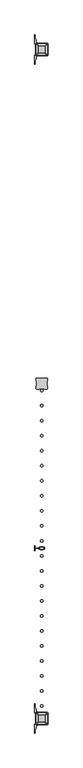
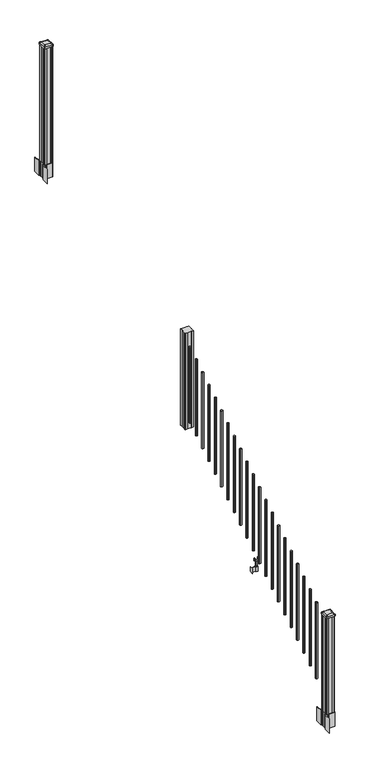
"""IFC4 building model written with IfcOpenShell, lengths in millimetres: railing geometry."""

from ifc_helpers import new_model, si_unit, point, frame, frame_2d, origin, place, context, project, spatial, polyline, circle_curve, trimmed, segment, composite_curve, outline, extrude, source, transform, mapped, element, save
from ifc_brep_helpers import plane_surface, extruded_surface, advanced_brep


def railing_df570949(model_context):
    return source(origin(), model_context, "Body", "SolidModel", [
        extrude(outline(polyline([(8461.3927034, -19900.5544681), (8459.8052034, -19898.9669681), (8459.8052034, -19879.3454681), (8461.3927034, -19878.5834681), (8461.3927034, -19839.9754681), (8459.8052034, -19839.2134681), (8459.8052034, -19819.5919681), (8461.3927034, -19818.0044681), (8481.0142034, -19818.0044681), (8481.7762034, -19819.5919681), (8520.3842034, -19819.5919681), (8521.1462034, -19818.0044681), (8540.7677034, -19818.0044681), (8542.3552034, -19819.5919681), (8542.3552034, -19839.2134681), (8540.7677034, -19839.9754681), (8540.7677034, -19878.5834681), (8542.3552034, -19879.3454681), (8542.3552034, -19898.9669681), (8540.7677034, -19900.5544681), (8521.1462034, -19900.5544681), (8520.3842034, -19898.9669681), (8481.7762034, -19898.9669681), (8481.0142034, -19900.5544681), (8461.3927034, -19900.5544681)])), frame((0.0, 0.0, 1716.0875), z_axis=(0.0, 0.0, 1.0), x_axis=(1.0, 0.0, 0.0)), (0.0, 0.0, 1.0), 1031.364263),
        extrude(outline(composite_curve([segment(trimmed(circle_curve(frame_2d((8501.0802034, -19911.6034681)), 9.525), [point((8510.6052034, -19911.6034681))], [point((8501.0802034, -19921.1284681))], False, "CARTESIAN"), True, "CONTINUOUS"), segment(trimmed(circle_curve(frame_2d((8501.0802034, -19911.6034681)), 9.525), [point((8501.0802034, -19921.1284681))], [point((8491.5552034, -19911.6034681))], False, "CARTESIAN"), True, "CONTINUOUS"), segment(trimmed(circle_curve(frame_2d((8501.0802034, -19911.6034681)), 9.525), [point((8491.5552034, -19911.6034681))], [point((8501.0802034, -19902.0784681))], False, "CARTESIAN"), True, "CONTINUOUS"), segment(trimmed(circle_curve(frame_2d((8501.0802034, -19911.6034681)), 9.525), [point((8501.0802034, -19902.0784681))], [point((8510.6052034, -19911.6034681))], False, "CARTESIAN"), True, "CONTINUOUS")], self_intersect=False)), frame((0.0, 0.0, 1784.9808781), z_axis=(0.0, 0.0, 1.0), x_axis=(1.0, 0.0, 0.0)), (0.0, 0.0, 1.0), 812.8041219),
        extrude(outline(composite_curve([segment(trimmed(circle_curve(frame_2d((8501.0802034, -20022.8554681)), 9.525), [point((8510.6052034, -20022.8554681))], [point((8501.0802034, -20032.3804681))], False, "CARTESIAN"), True, "CONTINUOUS"), segment(trimmed(circle_curve(frame_2d((8501.0802034, -20022.8554681)), 9.525), [point((8501.0802034, -20032.3804681))], [point((8491.5552034, -20022.8554681))], False, "CARTESIAN"), True, "CONTINUOUS"), segment(trimmed(circle_curve(frame_2d((8501.0802034, -20022.8554681)), 9.525), [point((8491.5552034, -20022.8554681))], [point((8501.0802034, -20013.3304681))], False, "CARTESIAN"), True, "CONTINUOUS"), segment(trimmed(circle_curve(frame_2d((8501.0802034, -20022.8554681)), 9.525), [point((8501.0802034, -20013.3304681))], [point((8510.6052034, -20022.8554681))], False, "CARTESIAN"), True, "CONTINUOUS")], self_intersect=False)), frame((0.0, 0.0, 1715.4483781), z_axis=(0.0, 0.0, 1.0), x_axis=(1.0, 0.0, 0.0)), (0.0, 0.0, 1.0), 812.8041219),
        extrude(outline(composite_curve([segment(trimmed(circle_curve(frame_2d((8501.0802034, -20134.1074681)), 9.525), [point((8510.6052034, -20134.1074681))], [point((8501.0802034, -20143.6324681))], False, "CARTESIAN"), True, "CONTINUOUS"), segment(trimmed(circle_curve(frame_2d((8501.0802034, -20134.1074681)), 9.525), [point((8501.0802034, -20143.6324681))], [point((8491.5552034, -20134.1074681))], False, "CARTESIAN"), True, "CONTINUOUS"), segment(trimmed(circle_curve(frame_2d((8501.0802034, -20134.1074681)), 9.525), [point((8491.5552034, -20134.1074681))], [point((8501.0802034, -20124.5824681))], False, "CARTESIAN"), True, "CONTINUOUS"), segment(trimmed(circle_curve(frame_2d((8501.0802034, -20134.1074681)), 9.525), [point((8501.0802034, -20124.5824681))], [point((8510.6052034, -20134.1074681))], False, "CARTESIAN"), True, "CONTINUOUS")], self_intersect=False)), frame((0.0, 0.0, 1645.9158781), z_axis=(0.0, 0.0, 1.0), x_axis=(1.0, 0.0, 0.0)), (0.0, 0.0, 1.0), 812.8041219),
        extrude(outline(composite_curve([segment(trimmed(circle_curve(frame_2d((8501.0802034, -20245.3594681)), 9.525), [point((8510.6052034, -20245.3594681))], [point((8501.0802034, -20254.8844681))], False, "CARTESIAN"), True, "CONTINUOUS"), segment(trimmed(circle_curve(frame_2d((8501.0802034, -20245.3594681)), 9.525), [point((8501.0802034, -20254.8844681))], [point((8491.5552034, -20245.3594681))], False, "CARTESIAN"), True, "CONTINUOUS"), segment(trimmed(circle_curve(frame_2d((8501.0802034, -20245.3594681)), 9.525), [point((8491.5552034, -20245.3594681))], [point((8501.0802034, -20235.8344681))], False, "CARTESIAN"), True, "CONTINUOUS"), segment(trimmed(circle_curve(frame_2d((8501.0802034, -20245.3594681)), 9.525), [point((8501.0802034, -20235.8344681))], [point((8510.6052034, -20245.3594681))], False, "CARTESIAN"), True, "CONTINUOUS")], self_intersect=False)), frame((0.0, 0.0, 1576.3833781), z_axis=(0.0, 0.0, 1.0), x_axis=(1.0, 0.0, 0.0)), (0.0, 0.0, 1.0), 812.8041219),
        extrude(outline(composite_curve([segment(trimmed(circle_curve(frame_2d((8501.0802034, -20356.6114681)), 9.525), [point((8510.6052034, -20356.6114681))], [point((8501.0802034, -20366.1364681))], False, "CARTESIAN"), True, "CONTINUOUS"), segment(trimmed(circle_curve(frame_2d((8501.0802034, -20356.6114681)), 9.525), [point((8501.0802034, -20366.1364681))], [point((8491.5552034, -20356.6114681))], False, "CARTESIAN"), True, "CONTINUOUS"), segment(trimmed(circle_curve(frame_2d((8501.0802034, -20356.6114681)), 9.525), [point((8491.5552034, -20356.6114681))], [point((8501.0802034, -20347.0864681))], False, "CARTESIAN"), True, "CONTINUOUS"), segment(trimmed(circle_curve(frame_2d((8501.0802034, -20356.6114681)), 9.525), [point((8501.0802034, -20347.0864681))], [point((8510.6052034, -20356.6114681))], False, "CARTESIAN"), True, "CONTINUOUS")], self_intersect=False)), frame((0.0, 0.0, 1506.8508781), z_axis=(0.0, 0.0, 1.0), x_axis=(1.0, 0.0, 0.0)), (0.0, 0.0, 1.0), 812.8041219),
        extrude(outline(composite_curve([segment(trimmed(circle_curve(frame_2d((8501.0802034, -20467.8634681)), 9.525), [point((8510.6052034, -20467.8634681))], [point((8501.0802034, -20477.3884681))], False, "CARTESIAN"), True, "CONTINUOUS"), segment(trimmed(circle_curve(frame_2d((8501.0802034, -20467.8634681)), 9.525), [point((8501.0802034, -20477.3884681))], [point((8491.5552034, -20467.8634681))], False, "CARTESIAN"), True, "CONTINUOUS"), segment(trimmed(circle_curve(frame_2d((8501.0802034, -20467.8634681)), 9.525), [point((8491.5552034, -20467.8634681))], [point((8501.0802034, -20458.3384681))], False, "CARTESIAN"), True, "CONTINUOUS"), segment(trimmed(circle_curve(frame_2d((8501.0802034, -20467.8634681)), 9.525), [point((8501.0802034, -20458.3384681))], [point((8510.6052034, -20467.8634681))], False, "CARTESIAN"), True, "CONTINUOUS")], self_intersect=False)), frame((0.0, 0.0, 1437.3183781), z_axis=(0.0, 0.0, 1.0), x_axis=(1.0, 0.0, 0.0)), (0.0, 0.0, 1.0), 812.8041219),
        extrude(outline(composite_curve([segment(trimmed(circle_curve(frame_2d((8501.0802034, -20579.1154681)), 9.525), [point((8510.6052034, -20579.1154681))], [point((8501.0802034, -20588.6404681))], False, "CARTESIAN"), True, "CONTINUOUS"), segment(trimmed(circle_curve(frame_2d((8501.0802034, -20579.1154681)), 9.525), [point((8501.0802034, -20588.6404681))], [point((8491.5552034, -20579.1154681))], False, "CARTESIAN"), True, "CONTINUOUS"), segment(trimmed(circle_curve(frame_2d((8501.0802034, -20579.1154681)), 9.525), [point((8491.5552034, -20579.1154681))], [point((8501.0802034, -20569.5904681))], False, "CARTESIAN"), True, "CONTINUOUS"), segment(trimmed(circle_curve(frame_2d((8501.0802034, -20579.1154681)), 9.525), [point((8501.0802034, -20569.5904681))], [point((8510.6052034, -20579.1154681))], False, "CARTESIAN"), True, "CONTINUOUS")], self_intersect=False)), frame((0.0, 0.0, 1367.7858781), z_axis=(0.0, 0.0, 1.0), x_axis=(1.0, 0.0, 0.0)), (0.0, 0.0, 1.0), 812.8041219),
        extrude(outline(composite_curve([segment(trimmed(circle_curve(frame_2d((8501.0802034, -20690.3674681)), 9.525), [point((8510.6052034, -20690.3674681))], [point((8501.0802034, -20699.8924681))], False, "CARTESIAN"), True, "CONTINUOUS"), segment(trimmed(circle_curve(frame_2d((8501.0802034, -20690.3674681)), 9.525), [point((8501.0802034, -20699.8924681))], [point((8491.5552034, -20690.3674681))], False, "CARTESIAN"), True, "CONTINUOUS"), segment(trimmed(circle_curve(frame_2d((8501.0802034, -20690.3674681)), 9.525), [point((8491.5552034, -20690.3674681))], [point((8501.0802034, -20680.8424681))], False, "CARTESIAN"), True, "CONTINUOUS"), segment(trimmed(circle_curve(frame_2d((8501.0802034, -20690.3674681)), 9.525), [point((8501.0802034, -20680.8424681))], [point((8510.6052034, -20690.3674681))], False, "CARTESIAN"), True, "CONTINUOUS")], self_intersect=False)), frame((0.0, 0.0, 1298.2533781), z_axis=(0.0, 0.0, 1.0), x_axis=(1.0, 0.0, 0.0)), (0.0, 0.0, 1.0), 812.8041219),
        extrude(outline(composite_curve([segment(trimmed(circle_curve(frame_2d((8501.0802034, -20801.6194681)), 9.525), [point((8510.6052034, -20801.6194681))], [point((8501.0802034, -20811.1444681))], False, "CARTESIAN"), True, "CONTINUOUS"), segment(trimmed(circle_curve(frame_2d((8501.0802034, -20801.6194681)), 9.525), [point((8501.0802034, -20811.1444681))], [point((8491.5552034, -20801.6194681))], False, "CARTESIAN"), True, "CONTINUOUS"), segment(trimmed(circle_curve(frame_2d((8501.0802034, -20801.6194681)), 9.525), [point((8491.5552034, -20801.6194681))], [point((8501.0802034, -20792.0944681))], False, "CARTESIAN"), True, "CONTINUOUS"), segment(trimmed(circle_curve(frame_2d((8501.0802034, -20801.6194681)), 9.525), [point((8501.0802034, -20792.0944681))], [point((8510.6052034, -20801.6194681))], False, "CARTESIAN"), True, "CONTINUOUS")], self_intersect=False)), frame((0.0, 0.0, 1228.7208781), z_axis=(0.0, 0.0, 1.0), x_axis=(1.0, 0.0, 0.0)), (0.0, 0.0, 1.0), 812.8041219),
        extrude(outline(composite_curve([segment(trimmed(circle_curve(frame_2d((8501.0802034, -20912.8714681)), 9.525), [point((8510.6052034, -20912.8714681))], [point((8501.0802034, -20922.3964681))], False, "CARTESIAN"), True, "CONTINUOUS"), segment(trimmed(circle_curve(frame_2d((8501.0802034, -20912.8714681)), 9.525), [point((8501.0802034, -20922.3964681))], [point((8491.5552034, -20912.8714681))], False, "CARTESIAN"), True, "CONTINUOUS"), segment(trimmed(circle_curve(frame_2d((8501.0802034, -20912.8714681)), 9.525), [point((8491.5552034, -20912.8714681))], [point((8501.0802034, -20903.3464681))], False, "CARTESIAN"), True, "CONTINUOUS"), segment(trimmed(circle_curve(frame_2d((8501.0802034, -20912.8714681)), 9.525), [point((8501.0802034, -20903.3464681))], [point((8510.6052034, -20912.8714681))], False, "CARTESIAN"), True, "CONTINUOUS")], self_intersect=False)), frame((0.0, 0.0, 1159.1883781), z_axis=(0.0, 0.0, 1.0), x_axis=(1.0, 0.0, 0.0)), (0.0, 0.0, 1.0), 812.8041219),
        extrude(outline(composite_curve([segment(trimmed(circle_curve(frame_2d((8501.0802034, -21024.1234681)), 9.525), [point((8510.6052034, -21024.1234681))], [point((8501.0802034, -21033.6484681))], False, "CARTESIAN"), True, "CONTINUOUS"), segment(trimmed(circle_curve(frame_2d((8501.0802034, -21024.1234681)), 9.525), [point((8501.0802034, -21033.6484681))], [point((8491.5552034, -21024.1234681))], False, "CARTESIAN"), True, "CONTINUOUS"), segment(trimmed(circle_curve(frame_2d((8501.0802034, -21024.1234681)), 9.525), [point((8491.5552034, -21024.1234681))], [point((8501.0802034, -21014.5984681))], False, "CARTESIAN"), True, "CONTINUOUS"), segment(trimmed(circle_curve(frame_2d((8501.0802034, -21024.1234681)), 9.525), [point((8501.0802034, -21014.5984681))], [point((8510.6052034, -21024.1234681))], False, "CARTESIAN"), True, "CONTINUOUS")], self_intersect=False)), frame((0.0, 0.0, 1089.6558781), z_axis=(0.0, 0.0, 1.0), x_axis=(1.0, 0.0, 0.0)), (0.0, 0.0, 1.0), 812.8041219),
        extrude(outline(polyline([(8490.4122036, -21081.0194681), (8451.0422034, -21081.0194681), (8451.0422034, -21078.4794681), (8490.4122036, -21078.4794681), (8490.4122036, -21081.0194681)])), frame((0.0, 0.0, 902.49375), z_axis=(0.0, 0.0, 1.0), x_axis=(1.0, 0.0, 0.0)), (0.0, 0.0, 1.0), 50.8),
        extrude(outline(polyline([(8451.0422034, -21098.7994681), (8448.5022034, -21098.7994681), (8448.5022034, -21060.6994681), (8451.0422034, -21060.6994681), (8451.0422034, -21098.7994681)])), frame((0.0, 0.0, 902.49375), z_axis=(0.0, 0.0, 1.0), x_axis=(1.0, 0.0, 0.0)), (0.0, 0.0, 1.0), 50.8),
        extrude(outline(polyline([(8511.7482041, -21089.6554681), (8490.4122036, -21089.6554681), (8490.4122036, -21069.8434681), (8511.7482041, -21069.8434681), (8511.7482041, -21089.6554681)]), holes=[polyline([(8508.446204, -21087.1154681), (8508.446204, -21072.3834681), (8493.7142037, -21072.3834681), (8493.7142037, -21087.1154681), (8508.446204, -21087.1154681)])]), frame((0.0, 0.0, 902.49375), z_axis=(0.0, 0.0, 1.0), x_axis=(1.0, 0.0, 0.0)), (0.0, 0.0, 1.0), 50.8),
        extrude(outline(polyline([(1042.0141479, 8482.9192046), (1041.2521469, 8482.1572035), (1014.7617523, 8482.1572035), (1013.9997513, 8482.9192046), (1013.9997513, 8492.9522036), (1013.2377512, 8493.7142037), (949.7377512, 8493.7142037), (949.7377512, 8508.446204), (1013.2377512, 8508.446204), (1013.9997513, 8509.2082041), (1013.9997513, 8519.2412032), (1014.7617523, 8520.0032042), (1041.2521469, 8520.0032042), (1042.0141479, 8519.2412032), (1042.0141479, 8517.2092036), (1040.9981453, 8516.1932038), (1030.5623581, 8516.1932038), (1029.5463573, 8517.2092036), (1017.555751, 8517.2092036), (1016.7937519, 8516.4472044), (1016.7937519, 8485.7132033), (1017.555751, 8484.9512041), (1029.5463573, 8484.9512041), (1030.5623581, 8485.9672039), (1040.9981453, 8485.9672039), (1042.0141479, 8484.9512041), (1042.0141479, 8482.9192046)]), holes=[polyline([(1013.9997513, 8504.5092038), (1013.2377512, 8505.2712038), (957.2307531, 8505.2712038), (956.4687531, 8504.5092038), (956.4687531, 8497.6512011), (957.2307503, 8496.8892039), (1013.2377512, 8496.8892039), (1013.9997513, 8497.651204), (1013.9997513, 8504.5092038)])]), frame((0.0, -21087.1154681, 0.0), z_axis=(0.0, 1.0, 0.0), x_axis=(0.0, 0.0, 1.0)), (0.0, 0.0, 1.0), 14.732),
        extrude(outline(composite_curve([segment(trimmed(circle_curve(frame_2d((8501.0802034, -21135.3754681)), 9.525), [point((8510.6052034, -21135.3754681))], [point((8501.0802034, -21144.9004681))], False, "CARTESIAN"), True, "CONTINUOUS"), segment(trimmed(circle_curve(frame_2d((8501.0802034, -21135.3754681)), 9.525), [point((8501.0802034, -21144.9004681))], [point((8491.5552034, -21135.3754681))], False, "CARTESIAN"), True, "CONTINUOUS"), segment(trimmed(circle_curve(frame_2d((8501.0802034, -21135.3754681)), 9.525), [point((8491.5552034, -21135.3754681))], [point((8501.0802034, -21125.8504681))], False, "CARTESIAN"), True, "CONTINUOUS"), segment(trimmed(circle_curve(frame_2d((8501.0802034, -21135.3754681)), 9.525), [point((8501.0802034, -21125.8504681))], [point((8510.6052034, -21135.3754681))], False, "CARTESIAN"), True, "CONTINUOUS")], self_intersect=False)), frame((0.0, 0.0, 1020.1233781), z_axis=(0.0, 0.0, 1.0), x_axis=(1.0, 0.0, 0.0)), (0.0, 0.0, 1.0), 812.8041219),
        extrude(outline(composite_curve([segment(trimmed(circle_curve(frame_2d((8501.0802034, -21246.6274681)), 9.525), [point((8510.6052034, -21246.6274681))], [point((8501.0802034, -21256.1524681))], False, "CARTESIAN"), True, "CONTINUOUS"), segment(trimmed(circle_curve(frame_2d((8501.0802034, -21246.6274681)), 9.525), [point((8501.0802034, -21256.1524681))], [point((8491.5552034, -21246.6274681))], False, "CARTESIAN"), True, "CONTINUOUS"), segment(trimmed(circle_curve(frame_2d((8501.0802034, -21246.6274681)), 9.525), [point((8491.5552034, -21246.6274681))], [point((8501.0802034, -21237.1024681))], False, "CARTESIAN"), True, "CONTINUOUS"), segment(trimmed(circle_curve(frame_2d((8501.0802034, -21246.6274681)), 9.525), [point((8501.0802034, -21237.1024681))], [point((8510.6052034, -21246.6274681))], False, "CARTESIAN"), True, "CONTINUOUS")], self_intersect=False)), frame((0.0, 0.0, 950.5908781), z_axis=(0.0, 0.0, 1.0), x_axis=(1.0, 0.0, 0.0)), (0.0, 0.0, 1.0), 812.8041219),
        extrude(outline(composite_curve([segment(trimmed(circle_curve(frame_2d((8501.0802034, -21357.8794681)), 9.525), [point((8510.6052034, -21357.8794681))], [point((8501.0802034, -21367.4044681))], False, "CARTESIAN"), True, "CONTINUOUS"), segment(trimmed(circle_curve(frame_2d((8501.0802034, -21357.8794681)), 9.525), [point((8501.0802034, -21367.4044681))], [point((8491.5552034, -21357.8794681))], False, "CARTESIAN"), True, "CONTINUOUS"), segment(trimmed(circle_curve(frame_2d((8501.0802034, -21357.8794681)), 9.525), [point((8491.5552034, -21357.8794681))], [point((8501.0802034, -21348.3544681))], False, "CARTESIAN"), True, "CONTINUOUS"), segment(trimmed(circle_curve(frame_2d((8501.0802034, -21357.8794681)), 9.525), [point((8501.0802034, -21348.3544681))], [point((8510.6052034, -21357.8794681))], False, "CARTESIAN"), True, "CONTINUOUS")], self_intersect=False)), frame((0.0, 0.0, 881.0583781), z_axis=(0.0, 0.0, 1.0), x_axis=(1.0, 0.0, 0.0)), (0.0, 0.0, 1.0), 812.8041219),
        extrude(outline(composite_curve([segment(trimmed(circle_curve(frame_2d((8501.0802034, -21469.1314681)), 9.525), [point((8510.6052034, -21469.1314681))], [point((8501.0802034, -21478.6564681))], False, "CARTESIAN"), True, "CONTINUOUS"), segment(trimmed(circle_curve(frame_2d((8501.0802034, -21469.1314681)), 9.525), [point((8501.0802034, -21478.6564681))], [point((8491.5552034, -21469.1314681))], False, "CARTESIAN"), True, "CONTINUOUS"), segment(trimmed(circle_curve(frame_2d((8501.0802034, -21469.1314681)), 9.525), [point((8491.5552034, -21469.1314681))], [point((8501.0802034, -21459.6064681))], False, "CARTESIAN"), True, "CONTINUOUS"), segment(trimmed(circle_curve(frame_2d((8501.0802034, -21469.1314681)), 9.525), [point((8501.0802034, -21459.6064681))], [point((8510.6052034, -21469.1314681))], False, "CARTESIAN"), True, "CONTINUOUS")], self_intersect=False)), frame((0.0, 0.0, 811.5258781), z_axis=(0.0, 0.0, 1.0), x_axis=(1.0, 0.0, 0.0)), (0.0, 0.0, 1.0), 812.8041219),
        extrude(outline(composite_curve([segment(trimmed(circle_curve(frame_2d((8501.0802034, -21580.3834681)), 9.525), [point((8510.6052034, -21580.3834681))], [point((8501.0802034, -21589.9084681))], False, "CARTESIAN"), True, "CONTINUOUS"), segment(trimmed(circle_curve(frame_2d((8501.0802034, -21580.3834681)), 9.525), [point((8501.0802034, -21589.9084681))], [point((8491.5552034, -21580.3834681))], False, "CARTESIAN"), True, "CONTINUOUS"), segment(trimmed(circle_curve(frame_2d((8501.0802034, -21580.3834681)), 9.525), [point((8491.5552034, -21580.3834681))], [point((8501.0802034, -21570.8584681))], False, "CARTESIAN"), True, "CONTINUOUS"), segment(trimmed(circle_curve(frame_2d((8501.0802034, -21580.3834681)), 9.525), [point((8501.0802034, -21570.8584681))], [point((8510.6052034, -21580.3834681))], False, "CARTESIAN"), True, "CONTINUOUS")], self_intersect=False)), frame((0.0, 0.0, 741.9933781), z_axis=(0.0, 0.0, 1.0), x_axis=(1.0, 0.0, 0.0)), (0.0, 0.0, 1.0), 812.8041219),
        extrude(outline(composite_curve([segment(trimmed(circle_curve(frame_2d((8501.0802034, -21691.6354681)), 9.525), [point((8510.6052034, -21691.6354681))], [point((8501.0802034, -21701.1604681))], False, "CARTESIAN"), True, "CONTINUOUS"), segment(trimmed(circle_curve(frame_2d((8501.0802034, -21691.6354681)), 9.525), [point((8501.0802034, -21701.1604681))], [point((8491.5552034, -21691.6354681))], False, "CARTESIAN"), True, "CONTINUOUS"), segment(trimmed(circle_curve(frame_2d((8501.0802034, -21691.6354681)), 9.525), [point((8491.5552034, -21691.6354681))], [point((8501.0802034, -21682.1104681))], False, "CARTESIAN"), True, "CONTINUOUS"), segment(trimmed(circle_curve(frame_2d((8501.0802034, -21691.6354681)), 9.525), [point((8501.0802034, -21682.1104681))], [point((8510.6052034, -21691.6354681))], False, "CARTESIAN"), True, "CONTINUOUS")], self_intersect=False)), frame((0.0, 0.0, 672.4608781), z_axis=(0.0, 0.0, 1.0), x_axis=(1.0, 0.0, 0.0)), (0.0, 0.0, 1.0), 812.8041219),
        extrude(outline(composite_curve([segment(trimmed(circle_curve(frame_2d((8501.0802034, -21802.8874681)), 9.525), [point((8510.6052034, -21802.8874681))], [point((8501.0802034, -21812.4124681))], False, "CARTESIAN"), True, "CONTINUOUS"), segment(trimmed(circle_curve(frame_2d((8501.0802034, -21802.8874681)), 9.525), [point((8501.0802034, -21812.4124681))], [point((8491.5552034, -21802.8874681))], False, "CARTESIAN"), True, "CONTINUOUS"), segment(trimmed(circle_curve(frame_2d((8501.0802034, -21802.8874681)), 9.525), [point((8491.5552034, -21802.8874681))], [point((8501.0802034, -21793.3624681))], False, "CARTESIAN"), True, "CONTINUOUS"), segment(trimmed(circle_curve(frame_2d((8501.0802034, -21802.8874681)), 9.525), [point((8501.0802034, -21793.3624681))], [point((8510.6052034, -21802.8874681))], False, "CARTESIAN"), True, "CONTINUOUS")], self_intersect=False)), frame((0.0, 0.0, 602.9283781), z_axis=(0.0, 0.0, 1.0), x_axis=(1.0, 0.0, 0.0)), (0.0, 0.0, 1.0), 812.8041219),
        extrude(outline(composite_curve([segment(trimmed(circle_curve(frame_2d((8501.0802034, -21914.1394681)), 9.525), [point((8510.6052034, -21914.1394681))], [point((8501.0802034, -21923.6644681))], False, "CARTESIAN"), True, "CONTINUOUS"), segment(trimmed(circle_curve(frame_2d((8501.0802034, -21914.1394681)), 9.525), [point((8501.0802034, -21923.6644681))], [point((8491.5552034, -21914.1394681))], False, "CARTESIAN"), True, "CONTINUOUS"), segment(trimmed(circle_curve(frame_2d((8501.0802034, -21914.1394681)), 9.525), [point((8491.5552034, -21914.1394681))], [point((8501.0802034, -21904.6144681))], False, "CARTESIAN"), True, "CONTINUOUS"), segment(trimmed(circle_curve(frame_2d((8501.0802034, -21914.1394681)), 9.525), [point((8501.0802034, -21904.6144681))], [point((8510.6052034, -21914.1394681))], False, "CARTESIAN"), True, "CONTINUOUS")], self_intersect=False)), frame((0.0, 0.0, 533.3958781), z_axis=(0.0, 0.0, 1.0), x_axis=(1.0, 0.0, 0.0)), (0.0, 0.0, 1.0), 812.8041219),
        extrude(outline(composite_curve([segment(trimmed(circle_curve(frame_2d((8501.0802034, -22025.3914681)), 9.525), [point((8510.6052034, -22025.3914681))], [point((8501.0802034, -22034.9164681))], False, "CARTESIAN"), True, "CONTINUOUS"), segment(trimmed(circle_curve(frame_2d((8501.0802034, -22025.3914681)), 9.525), [point((8501.0802034, -22034.9164681))], [point((8491.5552034, -22025.3914681))], False, "CARTESIAN"), True, "CONTINUOUS"), segment(trimmed(circle_curve(frame_2d((8501.0802034, -22025.3914681)), 9.525), [point((8491.5552034, -22025.3914681))], [point((8501.0802034, -22015.8664681))], False, "CARTESIAN"), True, "CONTINUOUS"), segment(trimmed(circle_curve(frame_2d((8501.0802034, -22025.3914681)), 9.525), [point((8501.0802034, -22015.8664681))], [point((8510.6052034, -22025.3914681))], False, "CARTESIAN"), True, "CONTINUOUS")], self_intersect=False)), frame((0.0, 0.0, 463.8633781), z_axis=(0.0, 0.0, 1.0), x_axis=(1.0, 0.0, 0.0)), (0.0, 0.0, 1.0), 812.8041219),
        extrude(outline(composite_curve([segment(trimmed(circle_curve(frame_2d((8501.0802034, -22136.6434681)), 9.525), [point((8510.6052034, -22136.6434681))], [point((8501.0802034, -22146.1684681))], False, "CARTESIAN"), True, "CONTINUOUS"), segment(trimmed(circle_curve(frame_2d((8501.0802034, -22136.6434681)), 9.525), [point((8501.0802034, -22146.1684681))], [point((8491.5552034, -22136.6434681))], False, "CARTESIAN"), True, "CONTINUOUS"), segment(trimmed(circle_curve(frame_2d((8501.0802034, -22136.6434681)), 9.525), [point((8491.5552034, -22136.6434681))], [point((8501.0802034, -22127.1184681))], False, "CARTESIAN"), True, "CONTINUOUS"), segment(trimmed(circle_curve(frame_2d((8501.0802034, -22136.6434681)), 9.525), [point((8501.0802034, -22127.1184681))], [point((8510.6052034, -22136.6434681))], False, "CARTESIAN"), True, "CONTINUOUS")], self_intersect=False)), frame((0.0, 0.0, 394.3308781), z_axis=(0.0, 0.0, 1.0), x_axis=(1.0, 0.0, 0.0)), (0.0, 0.0, 1.0), 812.8041219),
        extrude(outline(composite_curve([segment(trimmed(circle_curve(frame_2d((8501.0802034, -22247.8954681)), 9.525), [point((8510.6052034, -22247.8954681))], [point((8501.0802034, -22257.4204681))], False, "CARTESIAN"), True, "CONTINUOUS"), segment(trimmed(circle_curve(frame_2d((8501.0802034, -22247.8954681)), 9.525), [point((8501.0802034, -22257.4204681))], [point((8491.5552034, -22247.8954681))], False, "CARTESIAN"), True, "CONTINUOUS"), segment(trimmed(circle_curve(frame_2d((8501.0802034, -22247.8954681)), 9.525), [point((8491.5552034, -22247.8954681))], [point((8501.0802034, -22238.3704681))], False, "CARTESIAN"), True, "CONTINUOUS"), segment(trimmed(circle_curve(frame_2d((8501.0802034, -22247.8954681)), 9.525), [point((8501.0802034, -22238.3704681))], [point((8510.6052034, -22247.8954681))], False, "CARTESIAN"), True, "CONTINUOUS")], self_intersect=False)), frame((0.0, 0.0, 324.7983781), z_axis=(0.0, 0.0, 1.0), x_axis=(1.0, 0.0, 0.0)), (0.0, 0.0, 1.0), 812.8041219),
        extrude(outline(polyline([(8461.3927034, -17423.2924681), (8459.8052034, -17421.7049681), (8459.8052034, -17402.0834681), (8461.3927034, -17401.3214681), (8461.3927034, -17362.7134681), (8459.8052034, -17361.9514681), (8459.8052034, -17342.3299681), (8461.3927034, -17340.7424681), (8481.0142034, -17340.7424681), (8481.7762034, -17342.3299681), (8520.3842034, -17342.3299681), (8521.1462034, -17340.7424681), (8540.7677034, -17340.7424681), (8542.3552034, -17342.3299681), (8542.3552034, -17361.9514681), (8540.7677034, -17362.7134681), (8540.7677034, -17401.3214681), (8542.3552034, -17402.0834681), (8542.3552034, -17421.7049681), (8540.7677034, -17423.2924681), (8521.1462034, -17423.2924681), (8520.3842034, -17421.7049681), (8481.7762034, -17421.7049681), (8481.0142034, -17423.2924681), (8461.3927034, -17423.2924681)])), frame((0.0, 0.0, 3048.0), z_axis=(0.0, 0.0, 1.0), x_axis=(1.0, 0.0, 0.0)), (0.0, 0.0, 1.0), 1247.740513),
        extrude(outline(composite_curve([segment(polyline([(8543.8157034, -17399.403563), (8545.4032034, -17400.165563), (8545.4032034, -17422.967491), (8542.0302263, -17426.3404681), (8480.5705555, -17426.3404681), (8480.5705555, -17427.2612181), (8475.2530117, -17427.2612181), (8475.2530117, -17428.7154728), (8470.168482, -17428.7154728), (8470.168482, -17429.9994966), (8468.5012097, -17429.9994966)]), True, "CONTINUOUS"), segment(trimmed(circle_curve(frame_2d((8468.5012097, -17437.0589565)), 7.0594599), [point((8468.5012097, -17429.9994966))], [point((8461.7339468, -17435.0489498))], True, "CARTESIAN"), True, "CONTINUOUS"), segment(polyline([(8461.7339468, -17435.0489498), (8453.8597526, -17461.5596789)]), True, "CONTINUOUS"), segment(trimmed(circle_curve(frame_2d((8508.6442659, -17477.8317285)), 57.15), [point((8453.8597526, -17461.5596789))], [point((8451.4942659, -17477.8317285))], True, "CARTESIAN"), True, "CONTINUOUS"), segment(polyline([(8451.4942659, -17477.8317285), (8451.4942659, -17489.8404681), (8448.4942659, -17489.8404681), (8448.4942659, -17424.7529681), (8456.7572034, -17413.4146768), (8456.7572034, -17400.165563), (8458.3447034, -17399.403563), (8458.3447034, -17364.6313732), (8456.7572034, -17363.8693732), (8456.7572034, -17350.6202594), (8448.4942659, -17339.2819681), (8448.4942659, -17274.1944681), (8451.4942659, -17274.1944681), (8451.4942659, -17286.2032076)]), True, "CONTINUOUS"), segment(trimmed(circle_curve(frame_2d((8508.6442659, -17286.2032076)), 57.15), [point((8451.4942659, -17286.2032076))], [point((8453.8597526, -17302.4752573))], True, "CARTESIAN"), True, "CONTINUOUS"), segment(polyline([(8453.8597526, -17302.4752573), (8461.7339468, -17328.9859864)]), True, "CONTINUOUS"), segment(trimmed(circle_curve(frame_2d((8468.5012097, -17326.9759797)), 7.0594599), [point((8461.7339468, -17328.9859864))], [point((8468.5012097, -17334.0354396))], True, "CARTESIAN"), True, "CONTINUOUS"), segment(polyline([(8468.5012097, -17334.0354396), (8470.168482, -17334.0354396), (8470.168482, -17335.3194634), (8475.2530117, -17335.3194634), (8475.2530117, -17336.7737181), (8480.5705555, -17336.7737181), (8480.5705555, -17337.6944681), (8542.0302263, -17337.6944681), (8545.4032034, -17341.0674452), (8545.4032034, -17363.8693732), (8543.8157034, -17364.6313732), (8543.8157034, -17399.403563)]), True, "CONTINUOUS")], self_intersect=False), holes=[polyline([(8459.8052034, -17342.3299681), (8459.8052034, -17421.7049681), (8461.3927034, -17423.2924681), (8498.316986, -17423.2924681), (8540.7677034, -17423.2924681), (8542.3552034, -17421.7049681), (8542.3552034, -17342.3299681), (8540.7677034, -17340.7424681), (8498.316986, -17340.7424681), (8461.3927034, -17340.7424681), (8459.8052034, -17342.3299681)])]), frame((0.0, 0.0, 2895.6), z_axis=(0.0, 0.0, 1.0), x_axis=(1.0, 0.0, 0.0)), (0.0, 0.0, 1.0), 152.4),
        advanced_brep(
        [(8475.2833284, -17410.9893431, 4324.315513), (8526.8770784, -17410.9893431, 4324.315513), (8530.0520784, -17407.8143431, 4324.315513), (8530.0520784, -17356.2205931, 4324.315513), (8526.8770784, -17353.0455931, 4324.315513), (8475.2833284, -17353.0455931, 4324.315513), (8472.1083284, -17356.2205931, 4324.315513), (8472.1083284, -17407.8143431, 4324.315513), (8459.0114534, -17427.2612181, 4313.012513), (8455.8364534, -17424.0862181, 4313.012513), (8455.8364534, -17339.9487181, 4313.012513), (8459.0114534, -17336.7737181, 4313.012513), (8543.1489534, -17336.7737181, 4313.012513), (8546.3239534, -17339.9487181, 4313.012513), (8546.3239534, -17424.0862181, 4313.012513), (8543.1489534, -17427.2612181, 4313.012513)],
        [
            (0, 1),
            (1, 2, circle_curve(frame((8526.8770784, -17407.8143431, 4324.315513), z_axis=(0.0, 0.0, 1.0), x_axis=(0.0, 1.0, 0.0)), 3.175)),
            (2, 3),
            (3, 4, circle_curve(frame((8526.8770784, -17356.2205931, 4324.315513), z_axis=(0.0, 0.0, 1.0), x_axis=(0.0, 1.0, 0.0)), 3.175)),
            (4, 5),
            (5, 6, circle_curve(frame((8475.2833284, -17356.2205931, 4324.315513), z_axis=(0.0, 0.0, 1.0), x_axis=(0.0, 1.0, 0.0)), 3.175)),
            (6, 7),
            (7, 0, circle_curve(frame((8475.2833284, -17407.8143431, 4324.315513), z_axis=(0.0, 0.0, 1.0), x_axis=(0.0, 1.0, 0.0)), 3.175)),
            (8, 9, circle_curve(frame((8459.0114534, -17424.0862181, 4313.012513), z_axis=(0.0, 0.0, -1.0), x_axis=(0.0, 1.0, 0.0)), 3.175)),
            (9, 10),
            (10, 11, circle_curve(frame((8459.0114534, -17339.9487181, 4313.012513), z_axis=(0.0, 0.0, -1.0), x_axis=(0.0, 1.0, 0.0)), 3.175)),
            (11, 12),
            (12, 13, circle_curve(frame((8543.1489534, -17339.9487181, 4313.012513), z_axis=(0.0, 0.0, -1.0), x_axis=(0.0, 1.0, 0.0)), 3.175)),
            (13, 14),
            (14, 15, circle_curve(frame((8543.1489534, -17424.0862181, 4313.012513), z_axis=(0.0, 0.0, -1.0), x_axis=(0.0, 1.0, 0.0)), 3.175)),
            (15, 8),
            (8, 0),
            (7, 9),
            (6, 10),
            (5, 11),
            (4, 12),
            (3, 13),
            (2, 14),
            (1, 15),
        ],
        [
            plane_surface(frame((8501.0802034, -17382.0174681, 4324.315513), z_axis=(0.0, 0.0, 1.0), x_axis=(-1.0, 0.0, 0.0))),
            plane_surface(frame((8501.0802034, -17382.0174681, 4313.012513), z_axis=(0.0, 0.0, -1.0), x_axis=(-1.0, 0.0, 0.0))),
            extruded_surface(trimmed(circle_curve(frame((8475.2833284, -17407.8143431, 4324.315513), z_axis=(0.0, 0.0, -1.0), x_axis=(0.0, 1.0, 0.0)), 3.175), [point((8475.2833284, -17410.9893431, 4324.315513))], [point((8472.1083284, -17407.8143431, 4324.315513))], True, "CARTESIAN"), (-16.271875000000364, -16.271875000002183, -11.302999999999884), 25.637972638867726),
            plane_surface(frame((8455.8364534, -17382.0174681, 4313.012513), z_axis=(-0.5705009161540687, 0.0, 0.8212969649690472), x_axis=(0.0, 1.0, 0.0))),
            extruded_surface(trimmed(circle_curve(frame((8475.2833284, -17356.2205931, 4324.315513), z_axis=(0.0, 0.0, -1.0), x_axis=(0.0, 1.0, 0.0)), 3.175), [point((8472.1083284, -17356.2205931, 4324.315513))], [point((8475.2833284, -17353.0455931, 4324.315513))], True, "CARTESIAN"), (-16.271875000000364, 16.271874999998545, -11.302999999999884), 25.63797263886542),
            plane_surface(frame((8501.0802034, -17336.7737181, 4313.012513), z_axis=(0.0, 0.5705009161540291, 0.8212969649690747), x_axis=(1.0, 0.0, 0.0))),
            extruded_surface(trimmed(circle_curve(frame((8526.8770784, -17356.2205931, 4324.315513), z_axis=(0.0, 0.0, -1.0), x_axis=(0.0, 1.0, 0.0)), 3.175), [point((8526.8770784, -17353.0455931, 4324.315513))], [point((8530.0520784, -17356.2205931, 4324.315513))], True, "CARTESIAN"), (16.271874999998545, 16.271874999998545, -11.302999999999884), 25.637972638864262),
            plane_surface(frame((8546.3239534, -17382.0174681, 4313.012513), z_axis=(0.5705009161540233, 0.0, 0.8212969649690787), x_axis=(0.0, -1.0, 0.0))),
            extruded_surface(trimmed(circle_curve(frame((8526.8770784, -17407.8143431, 4324.315513), z_axis=(0.0, 0.0, -1.0), x_axis=(0.0, 1.0, 0.0)), 3.175), [point((8530.0520784, -17407.8143431, 4324.315513))], [point((8526.8770784, -17410.9893431, 4324.315513))], True, "CARTESIAN"), (16.271874999998545, -16.271875000002183, -11.302999999999884), 25.637972638866575),
            plane_surface(frame((8501.0802034, -17427.2612181, 4313.012513), z_axis=(0.0, -0.570500916154034, 0.8212969649690713), x_axis=(-1.0, 0.0, 0.0))),
        ],
        [
            (0, [[1, 2, 3, 4, 5, 6, 7, 8]]),
            (1, [[9, 10, 11, 12, 13, 14, 15, 16]]),
            (2, [[17, -8, 18, -9]]),
            (3, [[-18, -7, 19, -10]]),
            (4, [[-19, -6, 20, -11]]),
            (5, [[-20, -5, 21, -12]]),
            (6, [[-21, -4, 22, -13]]),
            (7, [[-22, -3, 23, -14]]),
            (8, [[-23, -2, 24, -15]]),
            (9, [[-24, -1, -17, -16]]),
        ],
    ),
        extrude(outline(composite_curve([segment(trimmed(circle_curve(frame_2d((8459.0114534, -17424.0862181)), 3.175), [point((8459.0114534, -17427.2612181))], [point((8455.8364534, -17424.0862181))], False, "CARTESIAN"), True, "CONTINUOUS"), segment(polyline([(8455.8364534, -17424.0862181), (8455.8364534, -17339.9487181)]), True, "CONTINUOUS"), segment(trimmed(circle_curve(frame_2d((8459.0114534, -17339.9487181)), 3.175), [point((8455.8364534, -17339.9487181))], [point((8459.0114534, -17336.7737181))], False, "CARTESIAN"), True, "CONTINUOUS"), segment(polyline([(8459.0114534, -17336.7737181), (8543.1489534, -17336.7737181)]), True, "CONTINUOUS"), segment(trimmed(circle_curve(frame_2d((8543.1489534, -17339.9487181)), 3.175), [point((8543.1489534, -17336.7737181))], [point((8546.3239534, -17339.9487181))], False, "CARTESIAN"), True, "CONTINUOUS"), segment(polyline([(8546.3239534, -17339.9487181), (8546.3239534, -17424.0862181)]), True, "CONTINUOUS"), segment(trimmed(circle_curve(frame_2d((8543.1489534, -17424.0862181)), 3.175), [point((8546.3239534, -17424.0862181))], [point((8543.1489534, -17427.2612181))], False, "CARTESIAN"), True, "CONTINUOUS"), segment(polyline([(8543.1489534, -17427.2612181), (8459.0114534, -17427.2612181)]), True, "CONTINUOUS")], self_intersect=False)), frame((0.0, 0.0, 4295.740513), z_axis=(0.0, 0.0, 1.0), x_axis=(1.0, 0.0, 0.0)), (0.0, 0.0, 1.0), 17.272),
        extrude(outline(composite_curve([segment(polyline([(8543.8157034, -22359.007563), (8545.4032034, -22359.769563), (8545.4032034, -22382.571491), (8542.0302263, -22385.9444681), (8480.5705555, -22385.9444681), (8480.5705555, -22386.8652181), (8475.2530117, -22386.8652181), (8475.2530117, -22388.3194728), (8470.168482, -22388.3194728), (8470.168482, -22389.6034966), (8468.5012097, -22389.6034966)]), True, "CONTINUOUS"), segment(trimmed(circle_curve(frame_2d((8468.5012097, -22396.6629565)), 7.0594599), [point((8468.5012097, -22389.6034966))], [point((8461.7339468, -22394.6529498))], True, "CARTESIAN"), True, "CONTINUOUS"), segment(polyline([(8461.7339468, -22394.6529498), (8453.8597526, -22421.1636789)]), True, "CONTINUOUS"), segment(trimmed(circle_curve(frame_2d((8508.6442659, -22437.4357285)), 57.15), [point((8453.8597526, -22421.1636789))], [point((8451.4942659, -22437.4357285))], True, "CARTESIAN"), True, "CONTINUOUS"), segment(polyline([(8451.4942659, -22437.4357285), (8451.4942659, -22449.4444681), (8448.4942659, -22449.4444681), (8448.4942659, -22384.3569681), (8456.7572034, -22373.0186768), (8456.7572034, -22359.769563), (8458.3447034, -22359.007563), (8458.3447034, -22324.2353732), (8456.7572034, -22323.4733732), (8456.7572034, -22310.2242594), (8448.4942659, -22298.8859681), (8448.4942659, -22233.7984681), (8451.4942659, -22233.7984681), (8451.4942659, -22245.8072076)]), True, "CONTINUOUS"), segment(trimmed(circle_curve(frame_2d((8508.6442659, -22245.8072076)), 57.15), [point((8451.4942659, -22245.8072076))], [point((8453.8597526, -22262.0792573))], True, "CARTESIAN"), True, "CONTINUOUS"), segment(polyline([(8453.8597526, -22262.0792573), (8461.7339468, -22288.5899864)]), True, "CONTINUOUS"), segment(trimmed(circle_curve(frame_2d((8468.5012097, -22286.5799797)), 7.0594599), [point((8461.7339468, -22288.5899864))], [point((8468.5012097, -22293.6394396))], True, "CARTESIAN"), True, "CONTINUOUS"), segment(polyline([(8468.5012097, -22293.6394396), (8470.168482, -22293.6394396), (8470.168482, -22294.9234634), (8475.2530117, -22294.9234634), (8475.2530117, -22296.3777181), (8480.5705555, -22296.3777181), (8480.5705555, -22297.2984681), (8542.0302263, -22297.2984681), (8545.4032034, -22300.6714452), (8545.4032034, -22323.4733732), (8543.8157034, -22324.2353732), (8543.8157034, -22359.007563)]), True, "CONTINUOUS")], self_intersect=False), holes=[polyline([(8459.8052034, -22301.9339681), (8459.8052034, -22381.3089681), (8461.3927034, -22382.8964681), (8498.316986, -22382.8964681), (8540.7677034, -22382.8964681), (8542.3552034, -22381.3089681), (8542.3552034, -22301.9339681), (8540.7677034, -22300.3464681), (8498.316986, -22300.3464681), (8461.3927034, -22300.3464681), (8459.8052034, -22301.9339681)])]), frame((0.0, 0.0, 12.22375), z_axis=(0.0, 0.0, 1.0), x_axis=(1.0, 0.0, 0.0)), (0.0, 0.0, 1.0), 152.4),
        advanced_brep(
        [(8475.2833284, -22370.5933431, 1224.563013), (8526.8770784, -22370.5933431, 1224.563013), (8530.0520784, -22367.4183431, 1224.563013), (8530.0520784, -22315.8245931, 1224.563013), (8526.8770784, -22312.6495931, 1224.563013), (8475.2833284, -22312.6495931, 1224.563013), (8472.1083284, -22315.8245931, 1224.563013), (8472.1083284, -22367.4183431, 1224.563013), (8459.0114534, -22386.8652181, 1213.260013), (8455.8364534, -22383.6902181, 1213.260013), (8455.8364534, -22299.5527181, 1213.260013), (8459.0114534, -22296.3777181, 1213.260013), (8543.1489534, -22296.3777181, 1213.260013), (8546.3239534, -22299.5527181, 1213.260013), (8546.3239534, -22383.6902181, 1213.260013), (8543.1489534, -22386.8652181, 1213.260013)],
        [
            (0, 1),
            (1, 2, circle_curve(frame((8526.8770784, -22367.4183431, 1224.563013), z_axis=(0.0, 0.0, 1.0), x_axis=(0.0, 1.0, 0.0)), 3.175)),
            (2, 3),
            (3, 4, circle_curve(frame((8526.8770784, -22315.8245931, 1224.563013), z_axis=(0.0, 0.0, 1.0), x_axis=(0.0, 1.0, 0.0)), 3.175)),
            (4, 5),
            (5, 6, circle_curve(frame((8475.2833284, -22315.8245931, 1224.563013), z_axis=(0.0, 0.0, 1.0), x_axis=(0.0, 1.0, 0.0)), 3.175)),
            (6, 7),
            (7, 0, circle_curve(frame((8475.2833284, -22367.4183431, 1224.563013), z_axis=(0.0, 0.0, 1.0), x_axis=(0.0, 1.0, 0.0)), 3.175)),
            (8, 9, circle_curve(frame((8459.0114534, -22383.6902181, 1213.260013), z_axis=(0.0, 0.0, -1.0), x_axis=(0.0, 1.0, 0.0)), 3.175)),
            (9, 10),
            (10, 11, circle_curve(frame((8459.0114534, -22299.5527181, 1213.260013), z_axis=(0.0, 0.0, -1.0), x_axis=(0.0, 1.0, 0.0)), 3.175)),
            (11, 12),
            (12, 13, circle_curve(frame((8543.1489534, -22299.5527181, 1213.260013), z_axis=(0.0, 0.0, -1.0), x_axis=(0.0, 1.0, 0.0)), 3.175)),
            (13, 14),
            (14, 15, circle_curve(frame((8543.1489534, -22383.6902181, 1213.260013), z_axis=(0.0, 0.0, -1.0), x_axis=(0.0, 1.0, 0.0)), 3.175)),
            (15, 8),
            (8, 0),
            (7, 9),
            (6, 10),
            (5, 11),
            (4, 12),
            (3, 13),
            (2, 14),
            (1, 15),
        ],
        [
            plane_surface(frame((8501.0802034, -22341.6214681, 1224.563013), z_axis=(0.0, 0.0, 1.0), x_axis=(-1.0, 0.0, 0.0))),
            plane_surface(frame((8501.0802034, -22341.6214681, 1213.260013), z_axis=(0.0, 0.0, -1.0), x_axis=(-1.0, 0.0, 0.0))),
            extruded_surface(trimmed(circle_curve(frame((8475.2833284, -22367.4183431, 1224.563013), z_axis=(0.0, 0.0, -1.0), x_axis=(0.0, 1.0, 0.0)), 3.175), [point((8475.2833284, -22370.5933431, 1224.563013))], [point((8472.1083284, -22367.4183431, 1224.563013))], True, "CARTESIAN"), (-16.271875000000364, -16.271875000002183, -11.302999999999884), 25.637972638867726),
            plane_surface(frame((8455.8364534, -22341.6214681, 1213.260013), z_axis=(-0.5705009161540778, 0.0, 0.8212969649690408), x_axis=(0.0, 1.0, 0.0))),
            extruded_surface(trimmed(circle_curve(frame((8475.2833284, -22315.8245931, 1224.563013), z_axis=(0.0, 0.0, -1.0), x_axis=(0.0, 1.0, 0.0)), 3.175), [point((8472.1083284, -22315.8245931, 1224.563013))], [point((8475.2833284, -22312.6495931, 1224.563013))], True, "CARTESIAN"), (-16.271875000000364, 16.271874999998545, -11.302999999999884), 25.63797263886542),
            plane_surface(frame((8501.0802034, -22296.3777181, 1213.260013), z_axis=(0.0, 0.5705009161540291, 0.8212969649690747), x_axis=(1.0, 0.0, 0.0))),
            extruded_surface(trimmed(circle_curve(frame((8526.8770784, -22315.8245931, 1224.563013), z_axis=(0.0, 0.0, -1.0), x_axis=(0.0, 1.0, 0.0)), 3.175), [point((8526.8770784, -22312.6495931, 1224.563013))], [point((8530.0520784, -22315.8245931, 1224.563013))], True, "CARTESIAN"), (16.271874999998545, 16.271874999998545, -11.302999999999884), 25.637972638864262),
            plane_surface(frame((8546.3239534, -22341.6214681, 1213.260013), z_axis=(0.5705009161540142, 0.0, 0.8212969649690851), x_axis=(0.0, -1.0, 0.0))),
            extruded_surface(trimmed(circle_curve(frame((8526.8770784, -22367.4183431, 1224.563013), z_axis=(0.0, 0.0, -1.0), x_axis=(0.0, 1.0, 0.0)), 3.175), [point((8530.0520784, -22367.4183431, 1224.563013))], [point((8526.8770784, -22370.5933431, 1224.563013))], True, "CARTESIAN"), (16.271874999998545, -16.271875000002183, -11.302999999999884), 25.637972638866575),
            plane_surface(frame((8501.0802034, -22386.8652181, 1213.260013), z_axis=(0.0, -0.570500916154034, 0.8212969649690713), x_axis=(-1.0, 0.0, 0.0))),
        ],
        [
            (0, [[1, 2, 3, 4, 5, 6, 7, 8]]),
            (1, [[9, 10, 11, 12, 13, 14, 15, 16]]),
            (2, [[17, -8, 18, -9]]),
            (3, [[-18, -7, 19, -10]]),
            (4, [[-19, -6, 20, -11]]),
            (5, [[-20, -5, 21, -12]]),
            (6, [[-21, -4, 22, -13]]),
            (7, [[-22, -3, 23, -14]]),
            (8, [[-23, -2, 24, -15]]),
            (9, [[-24, -1, -17, -16]]),
        ],
    ),
        extrude(outline(composite_curve([segment(trimmed(circle_curve(frame_2d((8459.0114534, -22383.6902181)), 3.175), [point((8459.0114534, -22386.8652181))], [point((8455.8364534, -22383.6902181))], False, "CARTESIAN"), True, "CONTINUOUS"), segment(polyline([(8455.8364534, -22383.6902181), (8455.8364534, -22299.5527181)]), True, "CONTINUOUS"), segment(trimmed(circle_curve(frame_2d((8459.0114534, -22299.5527181)), 3.175), [point((8455.8364534, -22299.5527181))], [point((8459.0114534, -22296.3777181))], False, "CARTESIAN"), True, "CONTINUOUS"), segment(polyline([(8459.0114534, -22296.3777181), (8543.1489534, -22296.3777181)]), True, "CONTINUOUS"), segment(trimmed(circle_curve(frame_2d((8543.1489534, -22299.5527181)), 3.175), [point((8543.1489534, -22296.3777181))], [point((8546.3239534, -22299.5527181))], False, "CARTESIAN"), True, "CONTINUOUS"), segment(polyline([(8546.3239534, -22299.5527181), (8546.3239534, -22383.6902181)]), True, "CONTINUOUS"), segment(trimmed(circle_curve(frame_2d((8543.1489534, -22383.6902181)), 3.175), [point((8546.3239534, -22383.6902181))], [point((8543.1489534, -22386.8652181))], False, "CARTESIAN"), True, "CONTINUOUS"), segment(polyline([(8543.1489534, -22386.8652181), (8459.0114534, -22386.8652181)]), True, "CONTINUOUS")], self_intersect=False)), frame((0.0, 0.0, 1195.988013), z_axis=(0.0, 0.0, 1.0), x_axis=(1.0, 0.0, 0.0)), (0.0, 0.0, 1.0), 17.272),
        extrude(outline(polyline([(8461.3927034, -22382.8964681), (8459.8052034, -22381.3089681), (8459.8052034, -22361.6874681), (8461.3927034, -22360.9254681), (8461.3927034, -22322.3174681), (8459.8052034, -22321.5554681), (8459.8052034, -22301.9339681), (8461.3927034, -22300.3464681), (8481.0142034, -22300.3464681), (8481.7762034, -22301.9339681), (8520.3842034, -22301.9339681), (8521.1462034, -22300.3464681), (8540.7677034, -22300.3464681), (8542.3552034, -22301.9339681), (8542.3552034, -22321.5554681), (8540.7677034, -22322.3174681), (8540.7677034, -22360.9254681), (8542.3552034, -22361.6874681), (8542.3552034, -22381.3089681), (8540.7677034, -22382.8964681), (8521.1462034, -22382.8964681), (8520.3842034, -22381.3089681), (8481.7762034, -22381.3089681), (8481.0142034, -22382.8964681), (8461.3927034, -22382.8964681)])), frame((0.0, 0.0, 164.62375), z_axis=(0.0, 0.0, 1.0), x_axis=(1.0, 0.0, 0.0)), (0.0, 0.0, 1.0), 1031.364263),
    ])


if __name__ == "__main__":
    model = new_model("IFC4")
    model_context = context("Model", 3, world=origin())
    ifc_project = project(units=[si_unit("LENGTHUNIT", "METRE", prefix="MILLI")], contexts=[model_context])
    site = spatial("IfcSite", under=ifc_project)
    building = spatial("IfcBuilding", under=site)
    placement = place(None, origin())
    railing_shape = railing_df570949(model_context)
    element("IfcRailing", 1, at=placement, inside=building, context=model_context, shape_type="MappedRepresentation", body=[
        mapped(railing_shape, transform((0.0, 0.0, 0.0), x_axis=(1.0, 0.0, 0.0), y_axis=(0.0, 1.0, 0.0), z_axis=(0.0, 0.0, 1.0))),
    ])
    save(model, "model.ifc")
